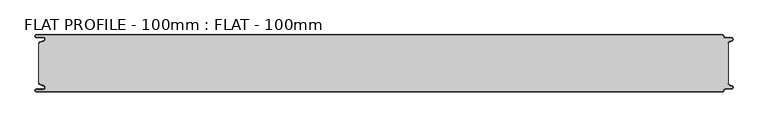
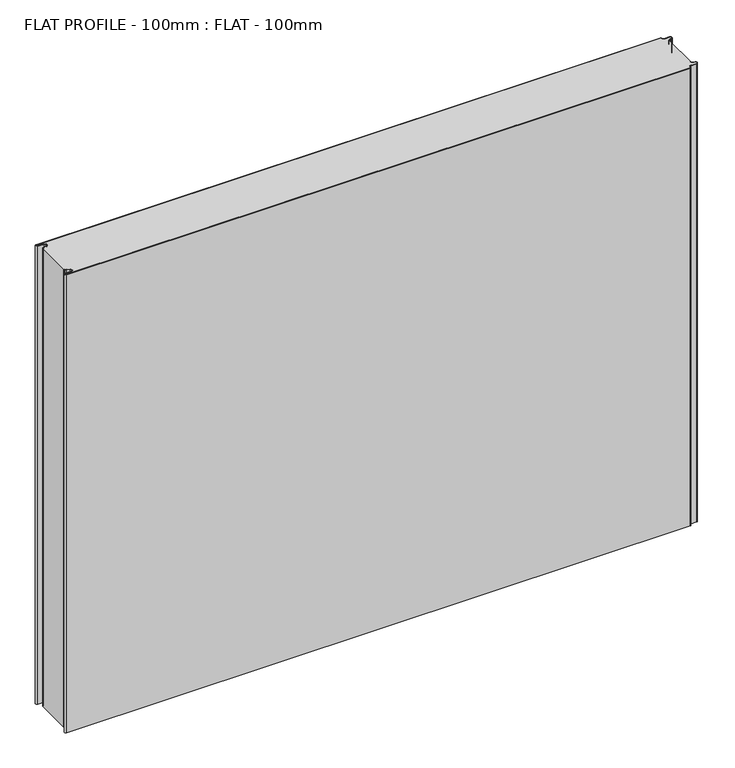
"""IFC4 building model written with IfcOpenShell, lengths in millimetres: proxy geometry, FLAT PROFILE - 100mm : FLAT - 100mm."""

import ifcopenshell
import ifcopenshell.guid

model = None  # the IFC model being written
_history = None  # IfcOwnerHistory: only IFC2X3 demands one
_inside = {}  # id of a spatial element -> (the spatial element, [elements in it])
_under = {}  # id of a project, library or spatial element -> (it, [spatial elements below it])
_declared = {}  # id of a project -> (the project, [libraries it declares])
_typed = {}  # id of a type object -> (the type object, [elements of that type])
_made_of = {}  # id of a material, layer set ... -> (it, [elements and type objects made of it])


def new_model(schema):
    """Start an empty IFC model of exactly this schema.

    Asked for "IFC4X3", IfcOpenShell would pick the latest addendum, in which some entities
    have other attributes; the version numbers below select the first issue.
    IFC2X3 requires an IfcOwnerHistory on every rooted entity: one is made here for all.
    """
    global model, _history
    if schema == "IFC4X3":
        model = ifcopenshell.file(schema_version=(4, 3, 0, 0))
    else:
        model = ifcopenshell.file(schema=schema)
    _inside.clear()
    _under.clear()
    _declared.clear()
    _typed.clear()
    _made_of.clear()
    _history = None
    if model.schema == "IFC2X3":
        org = make("IfcOrganization", Name="unknown")
        user = make(
            "IfcPersonAndOrganization",
            ThePerson=make("IfcPerson", FamilyName="unknown"),
            TheOrganization=org,
        )
        app = make(
            "IfcApplication",
            ApplicationDeveloper=org,
            Version="unknown",
            ApplicationFullName="unknown",
            ApplicationIdentifier="unknown",
        )
        _history = make(
            "IfcOwnerHistory",
            OwningUser=user,
            OwningApplication=app,
            ChangeAction="ADDED",
            CreationDate=0,
        )
    return model


def make(cls, **values):
    """One entity of the class cls with the attributes given. An attribute that is None is left unset."""
    return model.create_entity(
        cls, **{name: value for name, value in values.items() if value is not None}
    )


def rooted(cls, **values):
    """An entity with a GlobalId (a new one), such as an element, a storey or a relation."""
    return make(cls, GlobalId=ifcopenshell.guid.new(), OwnerHistory=_history, **values)


def si_unit(unit_type, name, prefix=None):
    """IfcSIUnit, for example si_unit("LENGTHUNIT", "METRE", prefix="MILLI")."""
    return make("IfcSIUnit", UnitType=unit_type, Prefix=prefix, Name=name)


def assignment(units):
    """IfcUnitAssignment: the units of a project."""
    return None if units is None else make("IfcUnitAssignment", Units=units)


def point(xyz):
    """IfcCartesianPoint."""
    return None if xyz is None else make("IfcCartesianPoint", Coordinates=xyz)


def direction(xyz):
    """IfcDirection."""
    return None if xyz is None else make("IfcDirection", DirectionRatios=xyz)


def frame(location, z_axis=None, x_axis=None):
    """IfcAxis2Placement3D, a coordinate frame: its origin and axes. An axis left out is left unset."""
    return make(
        "IfcAxis2Placement3D",
        Location=point(location),
        Axis=direction(z_axis),
        RefDirection=direction(x_axis),
    )


def frame_2d(location, x_axis=None):
    """IfcAxis2Placement2D, a coordinate frame in the plane: its origin and x axis."""
    return make(
        "IfcAxis2Placement2D", Location=point(location), RefDirection=direction(x_axis)
    )


def origin():
    """The frame at (0, 0, 0) with its axes left unset."""
    return frame((0.0, 0.0, 0.0))


def origin_with_axes():
    """The frame at (0, 0, 0) with the z axis (0, 0, 1) and the x axis (1, 0, 0) written out."""
    return frame((0.0, 0.0, 0.0), z_axis=(0.0, 0.0, 1.0), x_axis=(1.0, 0.0, 0.0))


def place(relative_to, where):
    """IfcLocalPlacement: puts the frame where relative to a parent placement (None: the world)."""
    return make(
        "IfcLocalPlacement", PlacementRelTo=relative_to, RelativePlacement=where
    )


def context(
    kind, dimensions, precision=None, world=None, true_north=None, identifier=None
):
    """IfcGeometricRepresentationContext, for example the 3D "Model" context."""
    return make(
        "IfcGeometricRepresentationContext",
        ContextIdentifier=identifier,
        ContextType=kind,
        CoordinateSpaceDimension=dimensions,
        Precision=precision,
        WorldCoordinateSystem=world,
        TrueNorth=true_north,
    )


def project(units=None, contexts=None):
    """IfcProject with its units and contexts."""
    return rooted(
        "IfcProject",
        Name="project",
        RepresentationContexts=contexts,
        UnitsInContext=assignment(units),
    )


def spatial(cls, under=None, at=None, **own):
    """A site, building, storey or space (cls), placed at a placement, below another one or the project."""
    s = rooted(cls, ObjectPlacement=at, **own)
    if under is not None:
        _under.setdefault(under.id(), (under, []))[1].append(s)
    return s


def polyline(points):
    """IfcPolyline through the points."""
    return make("IfcPolyline", Points=[point(p) for p in points])


def circle_curve(where, radius):
    """IfcCircle in the frame where."""
    return make("IfcCircle", Position=where, Radius=radius)


def trimmed(basis, trim1, trim2, sense, master):
    """IfcTrimmedCurve: the piece of a basis curve between two trims."""
    return make(
        "IfcTrimmedCurve",
        BasisCurve=basis,
        Trim1=trim1,
        Trim2=trim2,
        SenseAgreement=sense,
        MasterRepresentation=master,
    )


def segment(curve, same_sense, transition):
    """IfcCompositeCurveSegment."""
    return make(
        "IfcCompositeCurveSegment",
        Transition=transition,
        SameSense=same_sense,
        ParentCurve=curve,
    )


def composite_curve(segments, self_intersect=None):
    """IfcCompositeCurve: segments joined end to end."""
    return make("IfcCompositeCurve", Segments=segments, SelfIntersect=self_intersect)


def outline(outer, holes=None, kind="AREA"):
    """IfcArbitraryClosedProfileDef: a profile drawn as a closed curve; with holes, ...WithVoids."""
    if holes is None:
        return make("IfcArbitraryClosedProfileDef", ProfileType=kind, OuterCurve=outer)
    return make(
        "IfcArbitraryProfileDefWithVoids",
        ProfileType=kind,
        OuterCurve=outer,
        InnerCurves=holes,
    )


def extrude(swept, where, along, depth):
    """IfcExtrudedAreaSolid: the profile swept, set in the frame where, extruded along a direction by depth."""
    return make(
        "IfcExtrudedAreaSolid",
        SweptArea=swept,
        Position=where,
        ExtrudedDirection=direction(along),
        Depth=depth,
    )


def shape(context_of_items, identifier, shape_type, items):
    """IfcShapeRepresentation: the items that make up one representation, for example the "Body"."""
    return make(
        "IfcShapeRepresentation",
        ContextOfItems=context_of_items,
        RepresentationIdentifier=identifier,
        RepresentationType=shape_type,
        Items=items,
    )


def source(mapping_origin, context_of_items, identifier, shape_type, items):
    """IfcRepresentationMap: a shape defined once, which mapped items show again and again."""
    return make(
        "IfcRepresentationMap",
        MappingOrigin=mapping_origin,
        MappedRepresentation=shape(context_of_items, identifier, shape_type, items),
    )


def transform(
    local_origin,
    x_axis=None,
    y_axis=None,
    z_axis=None,
    scale=None,
    scale2=None,
    scale3=None,
    uniform=True,
):
    """IfcCartesianTransformationOperator3D, or its non-uniform kind. x_axis, y_axis, z_axis: its Axis1, 2, 3."""
    if uniform:
        return make(
            "IfcCartesianTransformationOperator3D",
            Axis1=direction(x_axis),
            Axis2=direction(y_axis),
            LocalOrigin=point(local_origin),
            Scale=scale,
            Axis3=direction(z_axis),
        )
    return make(
        "IfcCartesianTransformationOperator3DnonUniform",
        Axis1=direction(x_axis),
        Axis2=direction(y_axis),
        LocalOrigin=point(local_origin),
        Scale=scale,
        Axis3=direction(z_axis),
        Scale2=scale2,
        Scale3=scale3,
    )


def mapped(mapping_source, mapping_target):
    """IfcMappedItem: shows the shape of a source again, moved by a transform."""
    return make(
        "IfcMappedItem", MappingSource=mapping_source, MappingTarget=mapping_target
    )


def made_of(thing, what):
    """Note that an element or type object is made of a material, layer set ...; save() writes the relation."""
    if what is not None:
        _made_of.setdefault(what.id(), (what, []))[1].append(thing)
    return thing


def element(
    cls,
    number,
    at=None,
    inside=None,
    cuts=None,
    type_object=None,
    material=None,
    context=None,
    identifier="Body",
    shape_type=None,
    held_by="IfcProductDefinitionShape",
    body=None,
    shapes=None,
    **own,
):
    """One element of the class cls, such as IfcWall. Its Tag is "e" and its number.

    at: its placement. inside: the storey or other place that contains it. cuts: it is an
    opening in that element (IfcRelVoidsElement). A single representation is given by context,
    identifier, shape_type and body (its items); several are given by shapes. held_by: the class
    of the entity that holds the representations. save() writes the other relations.
    """
    e = rooted(cls, Tag="e%d" % number, ObjectPlacement=at, **own)
    if body is not None:
        shapes = [shape(context, identifier, shape_type, body)]
    if shapes is not None:
        e.Representation = make(held_by, Representations=shapes)
    if inside is not None:
        _inside.setdefault(inside.id(), (inside, []))[1].append(e)
    if cuts is not None:
        rooted(
            "IfcRelVoidsElement", RelatingBuildingElement=cuts, RelatedOpeningElement=e
        )
    if type_object is not None:
        _typed.setdefault(type_object.id(), (type_object, []))[1].append(e)
    return made_of(e, material)


def aggregate(whole, parts):
    """IfcRelAggregates: a whole, such as a stair, and the parts it consists of."""
    return rooted("IfcRelAggregates", RelatingObject=whole, RelatedObjects=parts)


def save(model, path):
    """Write the relations noted so far, then the file.

    IfcRelAggregates (storeys below a building ...), IfcRelContainedInSpatialStructure (elements
    in a storey), IfcRelDefinesByType, IfcRelAssociatesMaterial and IfcRelDeclares: one each for
    every whole, place, type object, material and project.
    """
    for whole, parts in _under.values():
        aggregate(whole, parts)
    for where, things in _inside.values():
        rooted(
            "IfcRelContainedInSpatialStructure",
            RelatedElements=things,
            RelatingStructure=where,
        )
    for kind, things in _typed.values():
        rooted("IfcRelDefinesByType", RelatedObjects=things, RelatingType=kind)
    for what, things in _made_of.values():
        rooted("IfcRelAssociatesMaterial", RelatedObjects=things, RelatingMaterial=what)
    for by, libraries in _declared.values():
        rooted("IfcRelDeclares", RelatingContext=by, RelatedDefinitions=libraries)
    model.write(path)


def flat_profile_100mm_flat_100mm_13133c7a(model_context):
    return source(origin(), model_context, "Body", "SweptSolid", [
        extrude(outline(composite_curve([segment(polyline([(-591.3794419, 36.1128969), (-589.3904999, 36.9138856), (-583.8995097, 38.9124426)]), True, "CONTINUOUS"), segment(trimmed(circle_curve(frame_2d((-585.2882153, 42.3376495)), 3.6960175), [point((-583.8995097, 38.9124426))], [point((-584.9273771, 46.0160107))], True, "CARTESIAN"), True, "CONTINUOUS"), segment(polyline([(-584.9273771, 46.0160107), (-597.3733883, 46.0160107)]), True, "CONTINUOUS"), segment(trimmed(circle_curve(frame_2d((-597.4921978, 47.511298)), 1.5), [point((-597.3733883, 46.0160107))], [point((-597.3084562, 49.0000019))], False, "CARTESIAN"), True, "CONTINUOUS"), segment(polyline([(-597.3084562, 49.0000019), (596.902372, 49.0000019)]), True, "CONTINUOUS"), segment(trimmed(circle_curve(frame_2d((596.9047345, 47.4926459)), 1.5073578), [point((596.902372, 49.0000019))], [point((598.4115951, 47.4539337))], False, "CARTESIAN"), True, "CONTINUOUS"), segment(trimmed(circle_curve(frame_2d((601.9112919, 47.5000019)), 3.5), [point((598.4115951, 47.4539337))], [point((601.9112919, 44.0000019))], True, "CARTESIAN"), True, "CONTINUOUS"), segment(polyline([(601.9112919, 44.0000019), (612.3116271, 44.0000019)]), True, "CONTINUOUS"), segment(trimmed(circle_curve(frame_2d((612.3116271, 41.9000019)), 2.1), [point((612.3116271, 44.0000019))], [point((613.0435993, 39.9316988))], False, "CARTESIAN"), True, "CONTINUOUS"), segment(polyline([(613.0435993, 39.9316988), (610.7828028, 39.1063001), (607.8546835, 37.9154156)]), True, "CONTINUOUS"), segment(trimmed(circle_curve(frame_2d((608.9399875, 35.2468953)), 2.8807786), [point((607.8546835, 37.9154156))], [point((606.0682599, 35.475074))], True, "CARTESIAN"), True, "CONTINUOUS"), segment(polyline([(606.0682599, 35.475074), (606.0107004, 34.2522232), (607.0118076, 34.2522232), (607.0118076, -34.2522195), (606.0107004, -34.2522195), (606.0682599, -35.4750703)]), True, "CONTINUOUS"), segment(trimmed(circle_curve(frame_2d((608.9399875, -35.2468916)), 2.8807786), [point((606.0682599, -35.4750703))], [point((607.8546835, -37.9154119))], True, "CARTESIAN"), True, "CONTINUOUS"), segment(polyline([(607.8546835, -37.9154119), (610.7828028, -39.1062964), (613.0435993, -39.9316951)]), True, "CONTINUOUS"), segment(trimmed(circle_curve(frame_2d((612.3116271, -41.8999981)), 2.1), [point((613.0435993, -39.9316951))], [point((612.3116271, -43.9999981))], False, "CARTESIAN"), True, "CONTINUOUS"), segment(polyline([(612.3116271, -43.9999981), (601.9112919, -43.9999981)]), True, "CONTINUOUS"), segment(trimmed(circle_curve(frame_2d((601.9112919, -47.4999981)), 3.5), [point((601.9112919, -43.9999981))], [point((598.4115951, -47.45393))], True, "CARTESIAN"), True, "CONTINUOUS"), segment(trimmed(circle_curve(frame_2d((596.9047345, -47.4926422)), 1.5073578), [point((598.4115951, -47.45393))], [point((596.902372, -48.9999981))], False, "CARTESIAN"), True, "CONTINUOUS"), segment(polyline([(596.902372, -48.9999981), (-597.3084562, -48.9999981)]), True, "CONTINUOUS"), segment(trimmed(circle_curve(frame_2d((-597.4921978, -47.5112943)), 1.5), [point((-597.3084562, -48.9999981))], [point((-597.3733883, -46.016007))], False, "CARTESIAN"), True, "CONTINUOUS"), segment(polyline([(-597.3733883, -46.016007), (-584.9273771, -46.016007)]), True, "CONTINUOUS"), segment(trimmed(circle_curve(frame_2d((-585.2882153, -42.3376458)), 3.6960175), [point((-584.9273771, -46.016007))], [point((-583.8995097, -38.9124389))], True, "CARTESIAN"), True, "CONTINUOUS"), segment(polyline([(-583.8995097, -38.9124389), (-589.3904999, -36.9138819), (-591.3794419, -36.1128932)]), True, "CONTINUOUS"), segment(trimmed(circle_curve(frame_2d((-591.0050311, -35.1831907)), 1.0022625), [point((-591.3794419, -36.1128932))], [point((-591.9881924, -35.3779319))], False, "CARTESIAN"), True, "CONTINUOUS"), segment(polyline([(-591.9881924, -35.3779319), (-591.9881924, -34.2522214), (-592.9881924, -34.2522214), (-592.9881924, 34.2522214), (-591.9881924, 34.2522214), (-591.9881924, 35.3779357)]), True, "CONTINUOUS"), segment(trimmed(circle_curve(frame_2d((-591.0050311, 35.1831944)), 1.0022625), [point((-591.9881924, 35.3779357))], [point((-591.3794419, 36.1128969))], False, "CARTESIAN"), True, "CONTINUOUS")], self_intersect=False)), origin_with_axes(), (0.0, 0.0, 1.0), 926.3887139),
        extrude(outline(composite_curve([segment(trimmed(circle_curve(frame_2d((-591.0050311, 35.1831944)), 1.0022625), [point((-591.3794419, 36.1128969))], [point((-591.9881924, 35.3779357))], True, "CARTESIAN"), True, "CONTINUOUS"), segment(polyline([(-591.9881924, 35.3779357), (-591.9881924, 34.2522214), (-592.9881924, 34.2522214), (-592.9881924, 35.4591051)]), True, "CONTINUOUS"), segment(trimmed(circle_curve(frame_2d((-591.0050311, 35.1831944)), 2.0022625), [point((-592.9881924, 35.4591051))], [point((-591.7530074, 37.0405007))], False, "CARTESIAN"), True, "CONTINUOUS"), segment(polyline([(-591.7530074, 37.0405007), (-589.7483949, 37.8478003), (-584.2598383, 39.8454715)]), True, "CONTINUOUS"), segment(trimmed(circle_curve(frame_2d((-585.2882153, 42.3376495)), 2.6960175), [point((-584.2598383, 39.8454715))], [point((-584.9801705, 45.0160107))], True, "CARTESIAN"), True, "CONTINUOUS"), segment(polyline([(-584.9801705, 45.0160107), (-597.3387672, 45.0160107)]), True, "CONTINUOUS"), segment(trimmed(circle_curve(frame_2d((-597.4921978, 47.511298)), 2.5), [point((-597.3387672, 45.0160107))], [point((-597.2548091, 50.0000019))], False, "CARTESIAN"), True, "CONTINUOUS"), segment(polyline([(-597.2548091, 50.0000019), (596.9016875, 50.0000019)]), True, "CONTINUOUS"), segment(trimmed(circle_curve(frame_2d((596.9047345, 47.4926459)), 2.5073578), [point((596.9016875, 50.0000019))], [point((599.4117582, 47.4517176))], False, "CARTESIAN"), True, "CONTINUOUS"), segment(trimmed(circle_curve(frame_2d((601.9112919, 47.5000019)), 2.5), [point((599.4117582, 47.4517176))], [point((601.9112919, 45.0000019))], True, "CARTESIAN"), True, "CONTINUOUS"), segment(polyline([(601.9112919, 45.0000019), (612.3116271, 45.0000019)]), True, "CONTINUOUS"), segment(trimmed(circle_curve(frame_2d((612.3116271, 41.9000019)), 3.1), [point((612.3116271, 45.0000019))], [point((613.3890842, 38.9932707))], False, "CARTESIAN"), True, "CONTINUOUS"), segment(polyline([(613.3890842, 38.9932707), (611.1427659, 38.1731578), (608.2411829, 37.0549269)]), True, "CONTINUOUS"), segment(trimmed(circle_curve(frame_2d((609.0514567, 35.1592666)), 2.0615701), [point((608.2411829, 37.0549269))], [point((607.0118076, 35.4591051))], True, "CARTESIAN"), True, "CONTINUOUS"), segment(polyline([(607.0118076, 35.4591051), (607.0118076, 34.2522232), (606.0107004, 34.2522232), (606.0682599, 35.475074)]), True, "CONTINUOUS"), segment(trimmed(circle_curve(frame_2d((608.9399875, 35.2468953)), 2.8807786), [point((606.0682599, 35.475074))], [point((607.8546835, 37.9154156))], False, "CARTESIAN"), True, "CONTINUOUS"), segment(polyline([(607.8546835, 37.9154156), (610.7828028, 39.1063001), (613.0435993, 39.9316988)]), True, "CONTINUOUS"), segment(trimmed(circle_curve(frame_2d((612.3116271, 41.9000019)), 2.1), [point((613.0435993, 39.9316988))], [point((612.3116271, 44.0000019))], True, "CARTESIAN"), True, "CONTINUOUS"), segment(polyline([(612.3116271, 44.0000019), (601.9112919, 44.0000019)]), True, "CONTINUOUS"), segment(trimmed(circle_curve(frame_2d((601.9112919, 47.5000019)), 3.5), [point((601.9112919, 44.0000019))], [point((598.4115951, 47.4539337))], False, "CARTESIAN"), True, "CONTINUOUS"), segment(trimmed(circle_curve(frame_2d((596.9047345, 47.4926459)), 1.5073578), [point((598.4115951, 47.4539337))], [point((596.902372, 49.0000019))], True, "CARTESIAN"), True, "CONTINUOUS"), segment(polyline([(596.902372, 49.0000019), (-597.3084562, 49.0000019)]), True, "CONTINUOUS"), segment(trimmed(circle_curve(frame_2d((-597.4921978, 47.511298)), 1.5), [point((-597.3084562, 49.0000019))], [point((-597.3733883, 46.0160107))], True, "CARTESIAN"), True, "CONTINUOUS"), segment(polyline([(-597.3733883, 46.0160107), (-584.9273771, 46.0160107)]), True, "CONTINUOUS"), segment(trimmed(circle_curve(frame_2d((-585.2882153, 42.3376495)), 3.6960175), [point((-584.9273771, 46.0160107))], [point((-583.8995097, 38.9124426))], False, "CARTESIAN"), True, "CONTINUOUS"), segment(polyline([(-583.8995097, 38.9124426), (-589.3904999, 36.9138856), (-591.3794419, 36.1128969)]), True, "CONTINUOUS")], self_intersect=False)), origin_with_axes(), (0.0, 0.0, 1.0), 926.3887139),
        extrude(outline(composite_curve([segment(polyline([(-591.3794419, -36.1128932), (-589.3904999, -36.9138819), (-583.8995097, -38.9124389)]), True, "CONTINUOUS"), segment(trimmed(circle_curve(frame_2d((-585.2882153, -42.3376458)), 3.6960175), [point((-583.8995097, -38.9124389))], [point((-584.9273771, -46.016007))], False, "CARTESIAN"), True, "CONTINUOUS"), segment(polyline([(-584.9273771, -46.016007), (-597.3733883, -46.016007)]), True, "CONTINUOUS"), segment(trimmed(circle_curve(frame_2d((-597.4921978, -47.5112943)), 1.5), [point((-597.3733883, -46.016007))], [point((-597.3084562, -48.9999981))], True, "CARTESIAN"), True, "CONTINUOUS"), segment(polyline([(-597.3084562, -48.9999981), (596.902372, -48.9999981)]), True, "CONTINUOUS"), segment(trimmed(circle_curve(frame_2d((596.9047345, -47.4926422)), 1.5073578), [point((596.902372, -48.9999981))], [point((598.4115951, -47.45393))], True, "CARTESIAN"), True, "CONTINUOUS"), segment(trimmed(circle_curve(frame_2d((601.9112919, -47.4999981)), 3.5), [point((598.4115951, -47.45393))], [point((601.9112919, -43.9999981))], False, "CARTESIAN"), True, "CONTINUOUS"), segment(polyline([(601.9112919, -43.9999981), (612.3116271, -43.9999981)]), True, "CONTINUOUS"), segment(trimmed(circle_curve(frame_2d((612.3116271, -41.8999981)), 2.1), [point((612.3116271, -43.9999981))], [point((613.0435993, -39.9316951))], True, "CARTESIAN"), True, "CONTINUOUS"), segment(polyline([(613.0435993, -39.9316951), (610.7828028, -39.1062964), (607.8546835, -37.9154119)]), True, "CONTINUOUS"), segment(trimmed(circle_curve(frame_2d((608.9399875, -35.2468916)), 2.8807786), [point((607.8546835, -37.9154119))], [point((606.0682599, -35.4750703))], False, "CARTESIAN"), True, "CONTINUOUS"), segment(polyline([(606.0682599, -35.4750703), (606.0107004, -34.2522195), (607.0118076, -34.2522195), (607.0118076, -35.4591014)]), True, "CONTINUOUS"), segment(trimmed(circle_curve(frame_2d((609.0514567, -35.1592629)), 2.0615701), [point((607.0118076, -35.4591014))], [point((608.2411829, -37.0549231))], True, "CARTESIAN"), True, "CONTINUOUS"), segment(polyline([(608.2411829, -37.0549231), (611.1427659, -38.1731541), (613.3890842, -38.993267)]), True, "CONTINUOUS"), segment(trimmed(circle_curve(frame_2d((612.3116271, -41.8999981)), 3.1), [point((613.3890842, -38.993267))], [point((612.3116271, -44.9999981))], False, "CARTESIAN"), True, "CONTINUOUS"), segment(polyline([(612.3116271, -44.9999981), (601.9112919, -44.9999981)]), True, "CONTINUOUS"), segment(trimmed(circle_curve(frame_2d((601.9112919, -47.4999981)), 2.5), [point((601.9112919, -44.9999981))], [point((599.4117582, -47.4517139))], True, "CARTESIAN"), True, "CONTINUOUS"), segment(trimmed(circle_curve(frame_2d((596.9047345, -47.4926422)), 2.5073578), [point((599.4117582, -47.4517139))], [point((596.9016875, -49.9999981))], False, "CARTESIAN"), True, "CONTINUOUS"), segment(polyline([(596.9016875, -49.9999981), (-597.2548091, -49.9999981)]), True, "CONTINUOUS"), segment(trimmed(circle_curve(frame_2d((-597.4921978, -47.5112943)), 2.5), [point((-597.2548091, -49.9999981))], [point((-597.3387672, -45.016007))], False, "CARTESIAN"), True, "CONTINUOUS"), segment(polyline([(-597.3387672, -45.016007), (-584.9801705, -45.016007)]), True, "CONTINUOUS"), segment(trimmed(circle_curve(frame_2d((-585.2882153, -42.3376458)), 2.6960175), [point((-584.9801705, -45.016007))], [point((-584.2598383, -39.8454678))], True, "CARTESIAN"), True, "CONTINUOUS"), segment(polyline([(-584.2598383, -39.8454678), (-589.7483949, -37.8477966), (-591.7530074, -37.040497)]), True, "CONTINUOUS"), segment(trimmed(circle_curve(frame_2d((-591.0050311, -35.1831907)), 2.0022625), [point((-591.7530074, -37.040497))], [point((-592.9881924, -35.4591014))], False, "CARTESIAN"), True, "CONTINUOUS"), segment(polyline([(-592.9881924, -35.4591014), (-592.9881924, -34.2522177), (-591.9881924, -34.2522177), (-591.9881924, -35.3779319)]), True, "CONTINUOUS"), segment(trimmed(circle_curve(frame_2d((-591.0050311, -35.1831907)), 1.0022625), [point((-591.9881924, -35.3779319))], [point((-591.3794419, -36.1128932))], True, "CARTESIAN"), True, "CONTINUOUS")], self_intersect=False)), origin_with_axes(), (0.0, 0.0, 1.0), 926.3887139),
    ])


if __name__ == "__main__":
    model = new_model("IFC4")
    model_context = context("Model", 3, world=origin())
    ifc_project = project(units=[si_unit("LENGTHUNIT", "METRE", prefix="MILLI")], contexts=[model_context])
    site = spatial("IfcSite", under=ifc_project)
    building = spatial("IfcBuilding", under=site)
    placement = place(None, origin())
    flat_profile_100mm_flat_100mm_shape = flat_profile_100mm_flat_100mm_13133c7a(model_context)
    element("IfcBuildingElementProxy", 1, Name="FLAT PROFILE - 100mm : FLAT - 100mm", ObjectType="FLAT PROFILE - 100mm : FLAT - 100mm", at=placement, inside=building, context=model_context, shape_type="MappedRepresentation", body=[
        mapped(flat_profile_100mm_flat_100mm_shape, transform((0.0, 0.0, 0.0), x_axis=(1.0, 0.0, 0.0), y_axis=(0.0, 1.0, 0.0), z_axis=(0.0, 0.0, 1.0))),
    ])
    save(model, "model.ifc")
